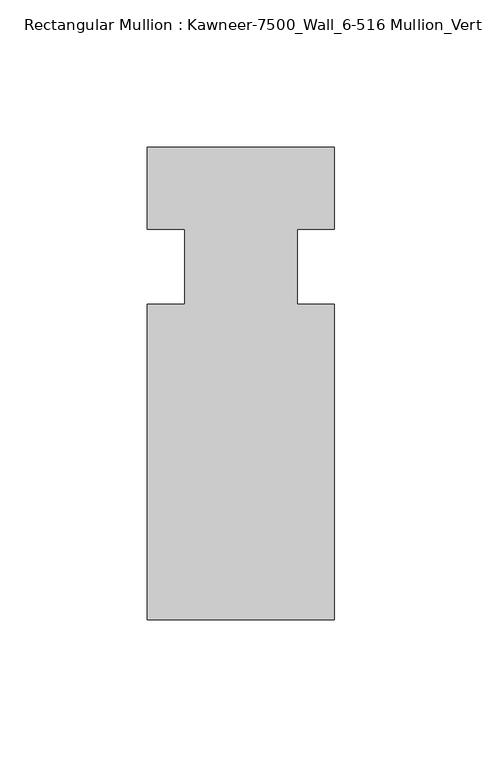
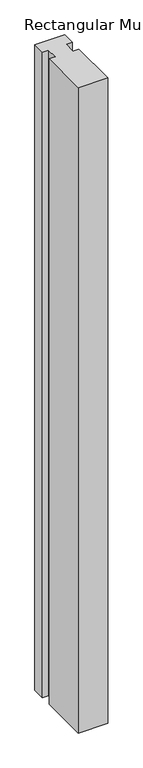
"""IFC4 building model written with IfcOpenShell, lengths in millimetres: member geometry, Rectangular Mullion : Kawneer-7500_Wall_6-516 Mullion_Vertical."""

from ifc_helpers import new_model, si_unit, frame, origin, place, context, project, spatial, polyline, outline, extrude, source, transform, mapped, element, save


def rectangular_mullion_kawneer_7500_wall_6_516_mullion_vertical_0418238f(model_context):
    return source(origin(), model_context, "Body", "SweptSolid", [
        extrude(outline(polyline([(36.0844027, -122.2375), (-27.4155973, -122.2375), (-27.4155973, -15.08125), (-14.7155973, -15.08125), (-14.7155973, 10.31875), (-27.4155973, 10.31875), (-27.4155973, 38.1), (36.0844027, 38.1), (36.0844027, 10.31875), (23.3826322, 10.31875), (23.3826322, -15.08125), (36.0844027, -15.08125), (36.0844027, -122.2375)])), frame((0.0, 0.0, -1463.04), z_axis=(0.0, 0.0, 1.0), x_axis=(1.0, 0.0, 0.0)), (0.0, 0.0, 1.0), 1463.04),
    ])


if __name__ == "__main__":
    model = new_model("IFC4")
    model_context = context("Model", 3, world=origin())
    ifc_project = project(units=[si_unit("LENGTHUNIT", "METRE", prefix="MILLI")], contexts=[model_context])
    site = spatial("IfcSite", under=ifc_project)
    building = spatial("IfcBuilding", under=site)
    placement = place(None, origin())
    rectangular_mullion_kawneer_7500_wall_6_516_mullion_vertical_shape = rectangular_mullion_kawneer_7500_wall_6_516_mullion_vertical_0418238f(model_context)
    element("IfcMember", 1, ObjectType="Rectangular Mullion : Kawneer-7500_Wall_6-516 Mullion_Vertical", at=placement, inside=building, context=model_context, shape_type="MappedRepresentation", body=[
        mapped(rectangular_mullion_kawneer_7500_wall_6_516_mullion_vertical_shape, transform((0.0, 0.0, 0.0), x_axis=(1.0, 0.0, 0.0), y_axis=(0.0, 1.0, 0.0), z_axis=(0.0, 0.0, 1.0))),
    ])
    save(model, "model.ifc")
